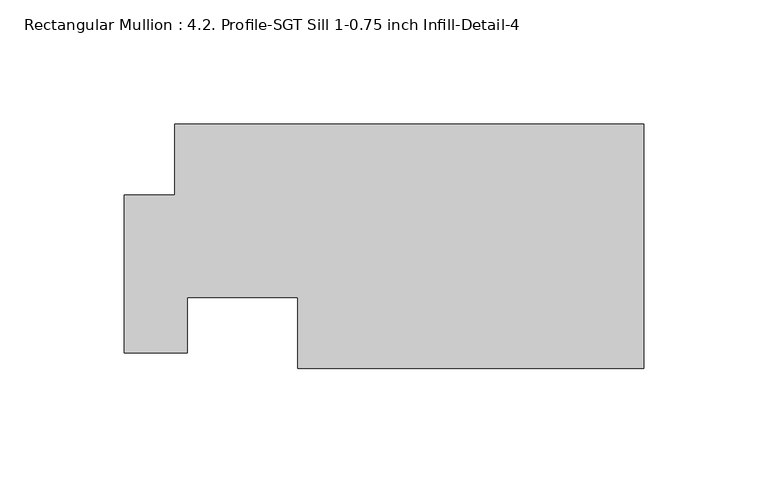
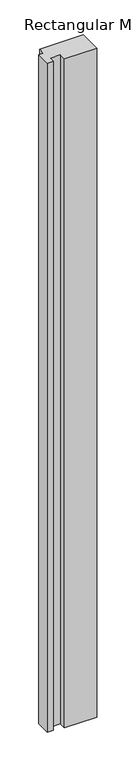
"""IFC4 building model written with IfcOpenShell, lengths in millimetres: member geometry, Rectangular Mullion : 4.2. Profile-SGT Sill 1-0.75 inch Infill-Detail-4."""

import ifcopenshell
import ifcopenshell.guid

model = None  # the IFC model being written
_history = None  # IfcOwnerHistory: only IFC2X3 demands one
_inside = {}  # id of a spatial element -> (the spatial element, [elements in it])
_under = {}  # id of a project, library or spatial element -> (it, [spatial elements below it])
_declared = {}  # id of a project -> (the project, [libraries it declares])
_typed = {}  # id of a type object -> (the type object, [elements of that type])
_made_of = {}  # id of a material, layer set ... -> (it, [elements and type objects made of it])


def new_model(schema):
    """Start an empty IFC model of exactly this schema.

    Asked for "IFC4X3", IfcOpenShell would pick the latest addendum, in which some entities
    have other attributes; the version numbers below select the first issue.
    IFC2X3 requires an IfcOwnerHistory on every rooted entity: one is made here for all.
    """
    global model, _history
    if schema == "IFC4X3":
        model = ifcopenshell.file(schema_version=(4, 3, 0, 0))
    else:
        model = ifcopenshell.file(schema=schema)
    _inside.clear()
    _under.clear()
    _declared.clear()
    _typed.clear()
    _made_of.clear()
    _history = None
    if model.schema == "IFC2X3":
        org = make("IfcOrganization", Name="unknown")
        user = make(
            "IfcPersonAndOrganization",
            ThePerson=make("IfcPerson", FamilyName="unknown"),
            TheOrganization=org,
        )
        app = make(
            "IfcApplication",
            ApplicationDeveloper=org,
            Version="unknown",
            ApplicationFullName="unknown",
            ApplicationIdentifier="unknown",
        )
        _history = make(
            "IfcOwnerHistory",
            OwningUser=user,
            OwningApplication=app,
            ChangeAction="ADDED",
            CreationDate=0,
        )
    return model


def make(cls, **values):
    """One entity of the class cls with the attributes given. An attribute that is None is left unset."""
    return model.create_entity(
        cls, **{name: value for name, value in values.items() if value is not None}
    )


def rooted(cls, **values):
    """An entity with a GlobalId (a new one), such as an element, a storey or a relation."""
    return make(cls, GlobalId=ifcopenshell.guid.new(), OwnerHistory=_history, **values)


def si_unit(unit_type, name, prefix=None):
    """IfcSIUnit, for example si_unit("LENGTHUNIT", "METRE", prefix="MILLI")."""
    return make("IfcSIUnit", UnitType=unit_type, Prefix=prefix, Name=name)


def assignment(units):
    """IfcUnitAssignment: the units of a project."""
    return None if units is None else make("IfcUnitAssignment", Units=units)


def point(xyz):
    """IfcCartesianPoint."""
    return None if xyz is None else make("IfcCartesianPoint", Coordinates=xyz)


def direction(xyz):
    """IfcDirection."""
    return None if xyz is None else make("IfcDirection", DirectionRatios=xyz)


def frame(location, z_axis=None, x_axis=None):
    """IfcAxis2Placement3D, a coordinate frame: its origin and axes. An axis left out is left unset."""
    return make(
        "IfcAxis2Placement3D",
        Location=point(location),
        Axis=direction(z_axis),
        RefDirection=direction(x_axis),
    )


def origin():
    """The frame at (0, 0, 0) with its axes left unset."""
    return frame((0.0, 0.0, 0.0))


def place(relative_to, where):
    """IfcLocalPlacement: puts the frame where relative to a parent placement (None: the world)."""
    return make(
        "IfcLocalPlacement", PlacementRelTo=relative_to, RelativePlacement=where
    )


def context(
    kind, dimensions, precision=None, world=None, true_north=None, identifier=None
):
    """IfcGeometricRepresentationContext, for example the 3D "Model" context."""
    return make(
        "IfcGeometricRepresentationContext",
        ContextIdentifier=identifier,
        ContextType=kind,
        CoordinateSpaceDimension=dimensions,
        Precision=precision,
        WorldCoordinateSystem=world,
        TrueNorth=true_north,
    )


def project(units=None, contexts=None):
    """IfcProject with its units and contexts."""
    return rooted(
        "IfcProject",
        Name="project",
        RepresentationContexts=contexts,
        UnitsInContext=assignment(units),
    )


def spatial(cls, under=None, at=None, **own):
    """A site, building, storey or space (cls), placed at a placement, below another one or the project."""
    s = rooted(cls, ObjectPlacement=at, **own)
    if under is not None:
        _under.setdefault(under.id(), (under, []))[1].append(s)
    return s


def polyline(points):
    """IfcPolyline through the points."""
    return make("IfcPolyline", Points=[point(p) for p in points])


def outline(outer, holes=None, kind="AREA"):
    """IfcArbitraryClosedProfileDef: a profile drawn as a closed curve; with holes, ...WithVoids."""
    if holes is None:
        return make("IfcArbitraryClosedProfileDef", ProfileType=kind, OuterCurve=outer)
    return make(
        "IfcArbitraryProfileDefWithVoids",
        ProfileType=kind,
        OuterCurve=outer,
        InnerCurves=holes,
    )


def extrude(swept, where, along, depth):
    """IfcExtrudedAreaSolid: the profile swept, set in the frame where, extruded along a direction by depth."""
    return make(
        "IfcExtrudedAreaSolid",
        SweptArea=swept,
        Position=where,
        ExtrudedDirection=direction(along),
        Depth=depth,
    )


def shape(context_of_items, identifier, shape_type, items):
    """IfcShapeRepresentation: the items that make up one representation, for example the "Body"."""
    return make(
        "IfcShapeRepresentation",
        ContextOfItems=context_of_items,
        RepresentationIdentifier=identifier,
        RepresentationType=shape_type,
        Items=items,
    )


def source(mapping_origin, context_of_items, identifier, shape_type, items):
    """IfcRepresentationMap: a shape defined once, which mapped items show again and again."""
    return make(
        "IfcRepresentationMap",
        MappingOrigin=mapping_origin,
        MappedRepresentation=shape(context_of_items, identifier, shape_type, items),
    )


def transform(
    local_origin,
    x_axis=None,
    y_axis=None,
    z_axis=None,
    scale=None,
    scale2=None,
    scale3=None,
    uniform=True,
):
    """IfcCartesianTransformationOperator3D, or its non-uniform kind. x_axis, y_axis, z_axis: its Axis1, 2, 3."""
    if uniform:
        return make(
            "IfcCartesianTransformationOperator3D",
            Axis1=direction(x_axis),
            Axis2=direction(y_axis),
            LocalOrigin=point(local_origin),
            Scale=scale,
            Axis3=direction(z_axis),
        )
    return make(
        "IfcCartesianTransformationOperator3DnonUniform",
        Axis1=direction(x_axis),
        Axis2=direction(y_axis),
        LocalOrigin=point(local_origin),
        Scale=scale,
        Axis3=direction(z_axis),
        Scale2=scale2,
        Scale3=scale3,
    )


def mapped(mapping_source, mapping_target):
    """IfcMappedItem: shows the shape of a source again, moved by a transform."""
    return make(
        "IfcMappedItem", MappingSource=mapping_source, MappingTarget=mapping_target
    )


def made_of(thing, what):
    """Note that an element or type object is made of a material, layer set ...; save() writes the relation."""
    if what is not None:
        _made_of.setdefault(what.id(), (what, []))[1].append(thing)
    return thing


def element(
    cls,
    number,
    at=None,
    inside=None,
    cuts=None,
    type_object=None,
    material=None,
    context=None,
    identifier="Body",
    shape_type=None,
    held_by="IfcProductDefinitionShape",
    body=None,
    shapes=None,
    **own,
):
    """One element of the class cls, such as IfcWall. Its Tag is "e" and its number.

    at: its placement. inside: the storey or other place that contains it. cuts: it is an
    opening in that element (IfcRelVoidsElement). A single representation is given by context,
    identifier, shape_type and body (its items); several are given by shapes. held_by: the class
    of the entity that holds the representations. save() writes the other relations.
    """
    e = rooted(cls, Tag="e%d" % number, ObjectPlacement=at, **own)
    if body is not None:
        shapes = [shape(context, identifier, shape_type, body)]
    if shapes is not None:
        e.Representation = make(held_by, Representations=shapes)
    if inside is not None:
        _inside.setdefault(inside.id(), (inside, []))[1].append(e)
    if cuts is not None:
        rooted(
            "IfcRelVoidsElement", RelatingBuildingElement=cuts, RelatedOpeningElement=e
        )
    if type_object is not None:
        _typed.setdefault(type_object.id(), (type_object, []))[1].append(e)
    return made_of(e, material)


def aggregate(whole, parts):
    """IfcRelAggregates: a whole, such as a stair, and the parts it consists of."""
    return rooted("IfcRelAggregates", RelatingObject=whole, RelatedObjects=parts)


def save(model, path):
    """Write the relations noted so far, then the file.

    IfcRelAggregates (storeys below a building ...), IfcRelContainedInSpatialStructure (elements
    in a storey), IfcRelDefinesByType, IfcRelAssociatesMaterial and IfcRelDeclares: one each for
    every whole, place, type object, material and project.
    """
    for whole, parts in _under.values():
        aggregate(whole, parts)
    for where, things in _inside.values():
        rooted(
            "IfcRelContainedInSpatialStructure",
            RelatedElements=things,
            RelatingStructure=where,
        )
    for kind, things in _typed.values():
        rooted("IfcRelDefinesByType", RelatedObjects=things, RelatingType=kind)
    for what, things in _made_of.values():
        rooted("IfcRelAssociatesMaterial", RelatedObjects=things, RelatingMaterial=what)
    for by, libraries in _declared.values():
        rooted("IfcRelDeclares", RelatingContext=by, RelatedDefinitions=libraries)
    model.write(path)


def rectangular_mullion_4_2_profile_sgt_sill_1_0_75_inch_infill_de7d00ac(model_context):
    return source(origin(), model_context, "Body", "SweptSolid", [
        extrude(outline(polyline([(-209.042, 25.4), (-188.7506052, 25.4), (-188.7506052, 53.975), (0.0, 53.975), (0.0, -44.45), (-139.2223894, -44.45), (-139.2223894, -15.8751132), (-183.6340717, -15.8751132), (-183.6340717, -38.1), (-209.042, -38.1), (-209.042, 25.4)])), frame((0.0, 0.0, -3048.0), z_axis=(0.0, 0.0, 1.0), x_axis=(1.0, 0.0, 0.0)), (0.0, 0.0, 1.0), 3048.0),
    ])


if __name__ == "__main__":
    model = new_model("IFC4")
    model_context = context("Model", 3, world=origin())
    ifc_project = project(units=[si_unit("LENGTHUNIT", "METRE", prefix="MILLI")], contexts=[model_context])
    site = spatial("IfcSite", under=ifc_project)
    building = spatial("IfcBuilding", under=site)
    placement = place(None, origin())
    rectangular_mullion_4_2_profile_sgt_sill_1_0_75_inch_infill_shape = rectangular_mullion_4_2_profile_sgt_sill_1_0_75_inch_infill_de7d00ac(model_context)
    element("IfcMember", 1, ObjectType="Rectangular Mullion : 4.2. Profile-SGT Sill 1-0.75 inch Infill-Detail-4", at=placement, inside=building, context=model_context, shape_type="MappedRepresentation", body=[
        mapped(rectangular_mullion_4_2_profile_sgt_sill_1_0_75_inch_infill_shape, transform((0.0, 0.0, 0.0), x_axis=(1.0, 0.0, 0.0), y_axis=(0.0, 1.0, 0.0), z_axis=(0.0, 0.0, 1.0))),
    ])
    save(model, "model.ifc")
